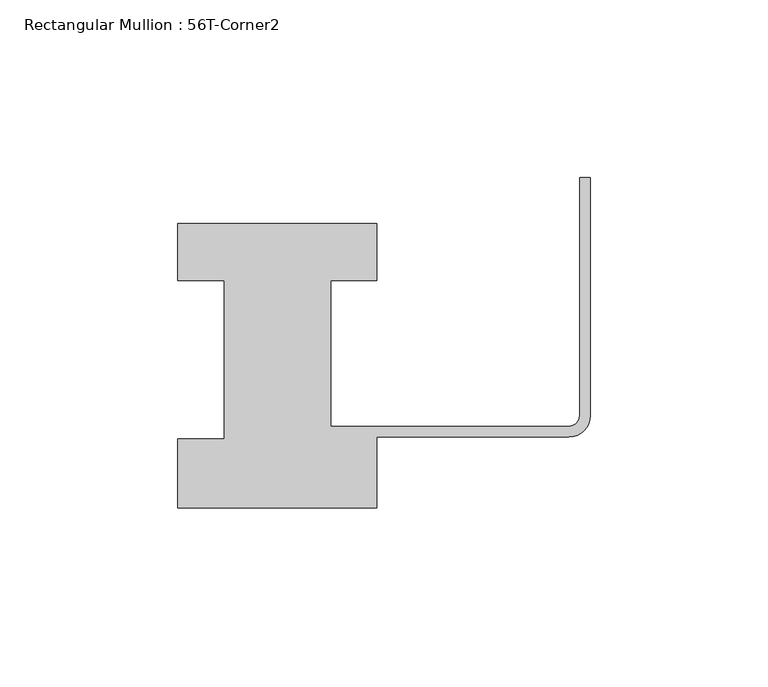
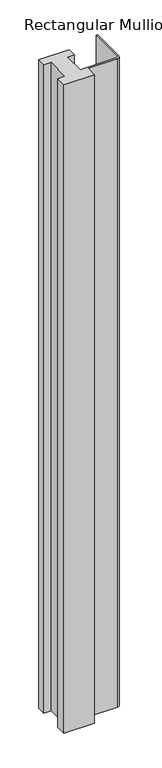
"""IFC4 building model written with IfcOpenShell, lengths in millimetres: member geometry, Rectangular Mullion : 56T-Corner2."""

from ifc_helpers import new_model, si_unit, point, frame, frame_2d, origin, place, context, project, spatial, polyline, circle_curve, trimmed, segment, composite_curve, outline, extrude, source, transform, mapped, element, save


def rectangular_mullion_56t_corner2_99ce6988(model_context):
    return source(origin(), model_context, "Body", "SweptSolid", [
        extrude(outline(composite_curve([segment(polyline([(-116.0, -20.0), (-116.0, -0.5), (-103.0, -0.5), (-103.0, 44.0), (-116.0, 44.0), (-116.0, 60.0), (-60.0, 60.0), (-60.0, 44.0), (-73.0, 44.0), (-73.0, 3.0), (-6.0, 3.0)]), True, "CONTINUOUS"), segment(trimmed(circle_curve(frame_2d((-6.0, 6.0)), 3.0), [point((-6.0, 3.0))], [point((-3.0, 6.0))], True, "CARTESIAN"), True, "CONTINUOUS"), segment(polyline([(-3.0, 6.0), (-3.0, 73.0), (0.0, 73.0), (0.0, 6.0)]), True, "CONTINUOUS"), segment(trimmed(circle_curve(frame_2d((-6.0, 6.0)), 6.0), [point((0.0, 6.0))], [point((-6.0, 0.0))], False, "CARTESIAN"), True, "CONTINUOUS"), segment(polyline([(-6.0, 0.0), (-60.0, 0.0), (-60.0, -20.0), (-116.0, -20.0)]), True, "CONTINUOUS")], self_intersect=False)), frame((0.0, 0.0, -1266.465707), z_axis=(0.0, 0.0, 1.0), x_axis=(1.0, 0.0, 0.0)), (0.0, 0.0, 1.0), 1266.465707),
    ])


if __name__ == "__main__":
    model = new_model("IFC4")
    model_context = context("Model", 3, world=origin())
    ifc_project = project(units=[si_unit("LENGTHUNIT", "METRE", prefix="MILLI")], contexts=[model_context])
    site = spatial("IfcSite", under=ifc_project)
    building = spatial("IfcBuilding", under=site)
    placement = place(None, origin())
    rectangular_mullion_56t_corner2_shape = rectangular_mullion_56t_corner2_99ce6988(model_context)
    element("IfcMember", 1, ObjectType="Rectangular Mullion : 56T-Corner2", at=placement, inside=building, context=model_context, shape_type="MappedRepresentation", body=[
        mapped(rectangular_mullion_56t_corner2_shape, transform((0.0, 0.0, 0.0), x_axis=(1.0, 0.0, 0.0), y_axis=(0.0, 1.0, 0.0), z_axis=(0.0, 0.0, 1.0))),
    ])
    save(model, "model.ifc")
